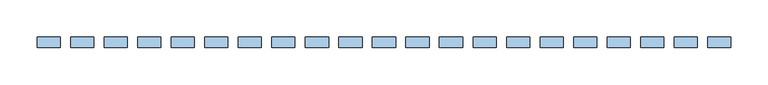
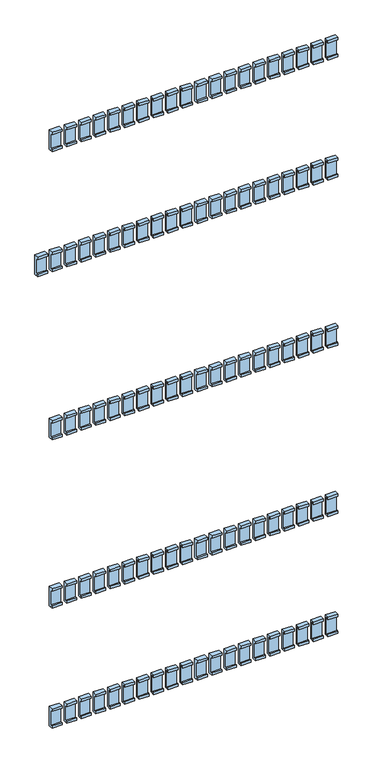
"""IFC4 building model written with IfcOpenShell, lengths in millimetres: window geometry."""

from ifc_helpers import new_model, si_unit, frame, origin, place, context, project, spatial, polyline, outline, extrude, source, transform, mapped, element, save


def window_75bf2af9(model_context):
    return source(origin(), model_context, "Body", "SweptSolid", [
        extrude(outline(polyline([(112.0, 1670.0936804), (107.8, 1670.0936804), (107.8, 1666.0936804), (104.0, 1666.0936804), (104.0, 1674.0), (117.9, 1674.0), (117.9, 1611.0), (104.0, 1611.0), (104.0, 1618.9063196), (107.8, 1618.9063196), (107.8, 1614.9063196), (112.0, 1614.9063196), (112.0, 1670.0936804)])), frame((659.5, 0.0, 0.0), z_axis=(1.0, 0.0, 0.0), x_axis=(0.0, 1.0, 0.0)), (0.0, 0.0, 1.0), 31.0),
        extrude(outline(polyline([(112.0, 1120.0936804), (107.8, 1120.0936804), (107.8, 1116.0936804), (104.0, 1116.0936804), (104.0, 1124.0), (117.9, 1124.0), (117.9, 1061.0), (104.0, 1061.0), (104.0, 1068.9063196), (107.8, 1068.9063196), (107.8, 1064.9063196), (112.0, 1064.9063196), (112.0, 1120.0936804)])), frame((659.5, 0.0, 0.0), z_axis=(1.0, 0.0, 0.0), x_axis=(0.0, 1.0, 0.0)), (0.0, 0.0, 1.0), 31.0),
        extrude(outline(polyline([(112.0, 570.0936804), (107.8, 570.0936804), (107.8, 566.0936804), (104.0, 566.0936804), (104.0, 574.0), (117.9, 574.0), (117.9, 511.0), (104.0, 511.0), (104.0, 518.9063196), (107.8, 518.9063196), (107.8, 514.9063196), (112.0, 514.9063196), (112.0, 570.0936804)])), frame((659.5, 0.0, 0.0), z_axis=(1.0, 0.0, 0.0), x_axis=(0.0, 1.0, 0.0)), (0.0, 0.0, 1.0), 31.0),
        extrude(outline(polyline([(112.0, 2007.9063196), (112.0, 2063.0936804), (107.8, 2063.0936804), (107.8, 2059.0936804), (104.0, 2059.0936804), (104.0, 2067.0), (117.9, 2067.0), (117.9, 2004.0), (104.0, 2004.0), (104.0, 2011.9063196), (107.8, 2011.9063196), (107.8, 2007.9063196), (112.0, 2007.9063196)])), frame((659.5, 0.0, 0.0), z_axis=(1.0, 0.0, 0.0), x_axis=(0.0, 1.0, 0.0)), (0.0, 0.0, 1.0), 31.0),
        extrude(outline(polyline([(112.0, 177.0936804), (107.8, 177.0936804), (107.8, 173.0936804), (104.0, 173.0936804), (104.0, 181.0), (117.9, 181.0), (117.9, 118.0), (104.0, 118.0), (104.0, 125.9063196), (107.8, 125.9063196), (107.8, 121.9063196), (112.0, 121.9063196), (112.0, 177.0936804)])), frame((659.5, 0.0, 0.0), z_axis=(1.0, 0.0, 0.0), x_axis=(0.0, 1.0, 0.0)), (0.0, 0.0, 1.0), 31.0),
        extrude(outline(polyline([(112.0, 1670.0936804), (107.8, 1670.0936804), (107.8, 1666.0936804), (104.0, 1666.0936804), (104.0, 1674.0), (117.9, 1674.0), (117.9, 1611.0), (104.0, 1611.0), (104.0, 1618.9063196), (107.8, 1618.9063196), (107.8, 1614.9063196), (112.0, 1614.9063196), (112.0, 1670.0936804)])), frame((614.5, 0.0, 0.0), z_axis=(1.0, 0.0, 0.0), x_axis=(0.0, 1.0, 0.0)), (0.0, 0.0, 1.0), 31.0),
        extrude(outline(polyline([(112.0, 1120.0936804), (107.8, 1120.0936804), (107.8, 1116.0936804), (104.0, 1116.0936804), (104.0, 1124.0), (117.9, 1124.0), (117.9, 1061.0), (104.0, 1061.0), (104.0, 1068.9063196), (107.8, 1068.9063196), (107.8, 1064.9063196), (112.0, 1064.9063196), (112.0, 1120.0936804)])), frame((614.5, 0.0, 0.0), z_axis=(1.0, 0.0, 0.0), x_axis=(0.0, 1.0, 0.0)), (0.0, 0.0, 1.0), 31.0),
        extrude(outline(polyline([(112.0, 570.0936804), (107.8, 570.0936804), (107.8, 566.0936804), (104.0, 566.0936804), (104.0, 574.0), (117.9, 574.0), (117.9, 511.0), (104.0, 511.0), (104.0, 518.9063196), (107.8, 518.9063196), (107.8, 514.9063196), (112.0, 514.9063196), (112.0, 570.0936804)])), frame((614.5, 0.0, 0.0), z_axis=(1.0, 0.0, 0.0), x_axis=(0.0, 1.0, 0.0)), (0.0, 0.0, 1.0), 31.0),
        extrude(outline(polyline([(112.0, 2007.9063196), (112.0, 2063.0936804), (107.8, 2063.0936804), (107.8, 2059.0936804), (104.0, 2059.0936804), (104.0, 2067.0), (117.9, 2067.0), (117.9, 2004.0), (104.0, 2004.0), (104.0, 2011.9063196), (107.8, 2011.9063196), (107.8, 2007.9063196), (112.0, 2007.9063196)])), frame((614.5, 0.0, 0.0), z_axis=(1.0, 0.0, 0.0), x_axis=(0.0, 1.0, 0.0)), (0.0, 0.0, 1.0), 31.0),
        extrude(outline(polyline([(112.0, 177.0936804), (107.8, 177.0936804), (107.8, 173.0936804), (104.0, 173.0936804), (104.0, 181.0), (117.9, 181.0), (117.9, 118.0), (104.0, 118.0), (104.0, 125.9063196), (107.8, 125.9063196), (107.8, 121.9063196), (112.0, 121.9063196), (112.0, 177.0936804)])), frame((614.5, 0.0, 0.0), z_axis=(1.0, 0.0, 0.0), x_axis=(0.0, 1.0, 0.0)), (0.0, 0.0, 1.0), 31.0),
        extrude(outline(polyline([(112.0, 1670.0936804), (107.8, 1670.0936804), (107.8, 1666.0936804), (104.0, 1666.0936804), (104.0, 1674.0), (117.9, 1674.0), (117.9, 1611.0), (104.0, 1611.0), (104.0, 1618.9063196), (107.8, 1618.9063196), (107.8, 1614.9063196), (112.0, 1614.9063196), (112.0, 1670.0936804)])), frame((569.5, 0.0, 0.0), z_axis=(1.0, 0.0, 0.0), x_axis=(0.0, 1.0, 0.0)), (0.0, 0.0, 1.0), 31.0),
        extrude(outline(polyline([(112.0, 1120.0936804), (107.8, 1120.0936804), (107.8, 1116.0936804), (104.0, 1116.0936804), (104.0, 1124.0), (117.9, 1124.0), (117.9, 1061.0), (104.0, 1061.0), (104.0, 1068.9063196), (107.8, 1068.9063196), (107.8, 1064.9063196), (112.0, 1064.9063196), (112.0, 1120.0936804)])), frame((569.5, 0.0, 0.0), z_axis=(1.0, 0.0, 0.0), x_axis=(0.0, 1.0, 0.0)), (0.0, 0.0, 1.0), 31.0),
        extrude(outline(polyline([(112.0, 570.0936804), (107.8, 570.0936804), (107.8, 566.0936804), (104.0, 566.0936804), (104.0, 574.0), (117.9, 574.0), (117.9, 511.0), (104.0, 511.0), (104.0, 518.9063196), (107.8, 518.9063196), (107.8, 514.9063196), (112.0, 514.9063196), (112.0, 570.0936804)])), frame((569.5, 0.0, 0.0), z_axis=(1.0, 0.0, 0.0), x_axis=(0.0, 1.0, 0.0)), (0.0, 0.0, 1.0), 31.0),
        extrude(outline(polyline([(112.0, 2007.9063196), (112.0, 2063.0936804), (107.8, 2063.0936804), (107.8, 2059.0936804), (104.0, 2059.0936804), (104.0, 2067.0), (117.9, 2067.0), (117.9, 2004.0), (104.0, 2004.0), (104.0, 2011.9063196), (107.8, 2011.9063196), (107.8, 2007.9063196), (112.0, 2007.9063196)])), frame((569.5, 0.0, 0.0), z_axis=(1.0, 0.0, 0.0), x_axis=(0.0, 1.0, 0.0)), (0.0, 0.0, 1.0), 31.0),
        extrude(outline(polyline([(112.0, 177.0936804), (107.8, 177.0936804), (107.8, 173.0936804), (104.0, 173.0936804), (104.0, 181.0), (117.9, 181.0), (117.9, 118.0), (104.0, 118.0), (104.0, 125.9063196), (107.8, 125.9063196), (107.8, 121.9063196), (112.0, 121.9063196), (112.0, 177.0936804)])), frame((569.5, 0.0, 0.0), z_axis=(1.0, 0.0, 0.0), x_axis=(0.0, 1.0, 0.0)), (0.0, 0.0, 1.0), 31.0),
        extrude(outline(polyline([(112.0, 1670.0936804), (107.8, 1670.0936804), (107.8, 1666.0936804), (104.0, 1666.0936804), (104.0, 1674.0), (117.9, 1674.0), (117.9, 1611.0), (104.0, 1611.0), (104.0, 1618.9063196), (107.8, 1618.9063196), (107.8, 1614.9063196), (112.0, 1614.9063196), (112.0, 1670.0936804)])), frame((524.5, 0.0, 0.0), z_axis=(1.0, 0.0, 0.0), x_axis=(0.0, 1.0, 0.0)), (0.0, 0.0, 1.0), 31.0),
        extrude(outline(polyline([(112.0, 1120.0936804), (107.8, 1120.0936804), (107.8, 1116.0936804), (104.0, 1116.0936804), (104.0, 1124.0), (117.9, 1124.0), (117.9, 1061.0), (104.0, 1061.0), (104.0, 1068.9063196), (107.8, 1068.9063196), (107.8, 1064.9063196), (112.0, 1064.9063196), (112.0, 1120.0936804)])), frame((524.5, 0.0, 0.0), z_axis=(1.0, 0.0, 0.0), x_axis=(0.0, 1.0, 0.0)), (0.0, 0.0, 1.0), 31.0),
        extrude(outline(polyline([(112.0, 570.0936804), (107.8, 570.0936804), (107.8, 566.0936804), (104.0, 566.0936804), (104.0, 574.0), (117.9, 574.0), (117.9, 511.0), (104.0, 511.0), (104.0, 518.9063196), (107.8, 518.9063196), (107.8, 514.9063196), (112.0, 514.9063196), (112.0, 570.0936804)])), frame((524.5, 0.0, 0.0), z_axis=(1.0, 0.0, 0.0), x_axis=(0.0, 1.0, 0.0)), (0.0, 0.0, 1.0), 31.0),
        extrude(outline(polyline([(112.0, 2007.9063196), (112.0, 2063.0936804), (107.8, 2063.0936804), (107.8, 2059.0936804), (104.0, 2059.0936804), (104.0, 2067.0), (117.9, 2067.0), (117.9, 2004.0), (104.0, 2004.0), (104.0, 2011.9063196), (107.8, 2011.9063196), (107.8, 2007.9063196), (112.0, 2007.9063196)])), frame((524.5, 0.0, 0.0), z_axis=(1.0, 0.0, 0.0), x_axis=(0.0, 1.0, 0.0)), (0.0, 0.0, 1.0), 31.0),
        extrude(outline(polyline([(112.0, 177.0936804), (107.8, 177.0936804), (107.8, 173.0936804), (104.0, 173.0936804), (104.0, 181.0), (117.9, 181.0), (117.9, 118.0), (104.0, 118.0), (104.0, 125.9063196), (107.8, 125.9063196), (107.8, 121.9063196), (112.0, 121.9063196), (112.0, 177.0936804)])), frame((524.5, 0.0, 0.0), z_axis=(1.0, 0.0, 0.0), x_axis=(0.0, 1.0, 0.0)), (0.0, 0.0, 1.0), 31.0),
        extrude(outline(polyline([(112.0, 1670.0936804), (107.8, 1670.0936804), (107.8, 1666.0936804), (104.0, 1666.0936804), (104.0, 1674.0), (117.9, 1674.0), (117.9, 1611.0), (104.0, 1611.0), (104.0, 1618.9063196), (107.8, 1618.9063196), (107.8, 1614.9063196), (112.0, 1614.9063196), (112.0, 1670.0936804)])), frame((479.5, 0.0, 0.0), z_axis=(1.0, 0.0, 0.0), x_axis=(0.0, 1.0, 0.0)), (0.0, 0.0, 1.0), 31.0),
        extrude(outline(polyline([(112.0, 1120.0936804), (107.8, 1120.0936804), (107.8, 1116.0936804), (104.0, 1116.0936804), (104.0, 1124.0), (117.9, 1124.0), (117.9, 1061.0), (104.0, 1061.0), (104.0, 1068.9063196), (107.8, 1068.9063196), (107.8, 1064.9063196), (112.0, 1064.9063196), (112.0, 1120.0936804)])), frame((479.5, 0.0, 0.0), z_axis=(1.0, 0.0, 0.0), x_axis=(0.0, 1.0, 0.0)), (0.0, 0.0, 1.0), 31.0),
        extrude(outline(polyline([(112.0, 570.0936804), (107.8, 570.0936804), (107.8, 566.0936804), (104.0, 566.0936804), (104.0, 574.0), (117.9, 574.0), (117.9, 511.0), (104.0, 511.0), (104.0, 518.9063196), (107.8, 518.9063196), (107.8, 514.9063196), (112.0, 514.9063196), (112.0, 570.0936804)])), frame((479.5, 0.0, 0.0), z_axis=(1.0, 0.0, 0.0), x_axis=(0.0, 1.0, 0.0)), (0.0, 0.0, 1.0), 31.0),
        extrude(outline(polyline([(112.0, 2007.9063196), (112.0, 2063.0936804), (107.8, 2063.0936804), (107.8, 2059.0936804), (104.0, 2059.0936804), (104.0, 2067.0), (117.9, 2067.0), (117.9, 2004.0), (104.0, 2004.0), (104.0, 2011.9063196), (107.8, 2011.9063196), (107.8, 2007.9063196), (112.0, 2007.9063196)])), frame((479.5, 0.0, 0.0), z_axis=(1.0, 0.0, 0.0), x_axis=(0.0, 1.0, 0.0)), (0.0, 0.0, 1.0), 31.0),
        extrude(outline(polyline([(112.0, 177.0936804), (107.8, 177.0936804), (107.8, 173.0936804), (104.0, 173.0936804), (104.0, 181.0), (117.9, 181.0), (117.9, 118.0), (104.0, 118.0), (104.0, 125.9063196), (107.8, 125.9063196), (107.8, 121.9063196), (112.0, 121.9063196), (112.0, 177.0936804)])), frame((479.5, 0.0, 0.0), z_axis=(1.0, 0.0, 0.0), x_axis=(0.0, 1.0, 0.0)), (0.0, 0.0, 1.0), 31.0),
        extrude(outline(polyline([(112.0, 1670.0936804), (107.8, 1670.0936804), (107.8, 1666.0936804), (104.0, 1666.0936804), (104.0, 1674.0), (117.9, 1674.0), (117.9, 1611.0), (104.0, 1611.0), (104.0, 1618.9063196), (107.8, 1618.9063196), (107.8, 1614.9063196), (112.0, 1614.9063196), (112.0, 1670.0936804)])), frame((434.5, 0.0, 0.0), z_axis=(1.0, 0.0, 0.0), x_axis=(0.0, 1.0, 0.0)), (0.0, 0.0, 1.0), 31.0),
        extrude(outline(polyline([(112.0, 1120.0936804), (107.8, 1120.0936804), (107.8, 1116.0936804), (104.0, 1116.0936804), (104.0, 1124.0), (117.9, 1124.0), (117.9, 1061.0), (104.0, 1061.0), (104.0, 1068.9063196), (107.8, 1068.9063196), (107.8, 1064.9063196), (112.0, 1064.9063196), (112.0, 1120.0936804)])), frame((434.5, 0.0, 0.0), z_axis=(1.0, 0.0, 0.0), x_axis=(0.0, 1.0, 0.0)), (0.0, 0.0, 1.0), 31.0),
        extrude(outline(polyline([(112.0, 570.0936804), (107.8, 570.0936804), (107.8, 566.0936804), (104.0, 566.0936804), (104.0, 574.0), (117.9, 574.0), (117.9, 511.0), (104.0, 511.0), (104.0, 518.9063196), (107.8, 518.9063196), (107.8, 514.9063196), (112.0, 514.9063196), (112.0, 570.0936804)])), frame((434.5, 0.0, 0.0), z_axis=(1.0, 0.0, 0.0), x_axis=(0.0, 1.0, 0.0)), (0.0, 0.0, 1.0), 31.0),
        extrude(outline(polyline([(112.0, 2007.9063196), (112.0, 2063.0936804), (107.8, 2063.0936804), (107.8, 2059.0936804), (104.0, 2059.0936804), (104.0, 2067.0), (117.9, 2067.0), (117.9, 2004.0), (104.0, 2004.0), (104.0, 2011.9063196), (107.8, 2011.9063196), (107.8, 2007.9063196), (112.0, 2007.9063196)])), frame((434.5, 0.0, 0.0), z_axis=(1.0, 0.0, 0.0), x_axis=(0.0, 1.0, 0.0)), (0.0, 0.0, 1.0), 31.0),
        extrude(outline(polyline([(112.0, 177.0936804), (107.8, 177.0936804), (107.8, 173.0936804), (104.0, 173.0936804), (104.0, 181.0), (117.9, 181.0), (117.9, 118.0), (104.0, 118.0), (104.0, 125.9063196), (107.8, 125.9063196), (107.8, 121.9063196), (112.0, 121.9063196), (112.0, 177.0936804)])), frame((434.5, 0.0, 0.0), z_axis=(1.0, 0.0, 0.0), x_axis=(0.0, 1.0, 0.0)), (0.0, 0.0, 1.0), 31.0),
        extrude(outline(polyline([(112.0, 1670.0936804), (107.8, 1670.0936804), (107.8, 1666.0936804), (104.0, 1666.0936804), (104.0, 1674.0), (117.9, 1674.0), (117.9, 1611.0), (104.0, 1611.0), (104.0, 1618.9063196), (107.8, 1618.9063196), (107.8, 1614.9063196), (112.0, 1614.9063196), (112.0, 1670.0936804)])), frame((389.5, 0.0, 0.0), z_axis=(1.0, 0.0, 0.0), x_axis=(0.0, 1.0, 0.0)), (0.0, 0.0, 1.0), 31.0),
        extrude(outline(polyline([(112.0, 1120.0936804), (107.8, 1120.0936804), (107.8, 1116.0936804), (104.0, 1116.0936804), (104.0, 1124.0), (117.9, 1124.0), (117.9, 1061.0), (104.0, 1061.0), (104.0, 1068.9063196), (107.8, 1068.9063196), (107.8, 1064.9063196), (112.0, 1064.9063196), (112.0, 1120.0936804)])), frame((389.5, 0.0, 0.0), z_axis=(1.0, 0.0, 0.0), x_axis=(0.0, 1.0, 0.0)), (0.0, 0.0, 1.0), 31.0),
        extrude(outline(polyline([(112.0, 570.0936804), (107.8, 570.0936804), (107.8, 566.0936804), (104.0, 566.0936804), (104.0, 574.0), (117.9, 574.0), (117.9, 511.0), (104.0, 511.0), (104.0, 518.9063196), (107.8, 518.9063196), (107.8, 514.9063196), (112.0, 514.9063196), (112.0, 570.0936804)])), frame((389.5, 0.0, 0.0), z_axis=(1.0, 0.0, 0.0), x_axis=(0.0, 1.0, 0.0)), (0.0, 0.0, 1.0), 31.0),
        extrude(outline(polyline([(112.0, 2007.9063196), (112.0, 2063.0936804), (107.8, 2063.0936804), (107.8, 2059.0936804), (104.0, 2059.0936804), (104.0, 2067.0), (117.9, 2067.0), (117.9, 2004.0), (104.0, 2004.0), (104.0, 2011.9063196), (107.8, 2011.9063196), (107.8, 2007.9063196), (112.0, 2007.9063196)])), frame((389.5, 0.0, 0.0), z_axis=(1.0, 0.0, 0.0), x_axis=(0.0, 1.0, 0.0)), (0.0, 0.0, 1.0), 31.0),
        extrude(outline(polyline([(112.0, 177.0936804), (107.8, 177.0936804), (107.8, 173.0936804), (104.0, 173.0936804), (104.0, 181.0), (117.9, 181.0), (117.9, 118.0), (104.0, 118.0), (104.0, 125.9063196), (107.8, 125.9063196), (107.8, 121.9063196), (112.0, 121.9063196), (112.0, 177.0936804)])), frame((389.5, 0.0, 0.0), z_axis=(1.0, 0.0, 0.0), x_axis=(0.0, 1.0, 0.0)), (0.0, 0.0, 1.0), 31.0),
        extrude(outline(polyline([(112.0, 1670.0936804), (107.8, 1670.0936804), (107.8, 1666.0936804), (104.0, 1666.0936804), (104.0, 1674.0), (117.9, 1674.0), (117.9, 1611.0), (104.0, 1611.0), (104.0, 1618.9063196), (107.8, 1618.9063196), (107.8, 1614.9063196), (112.0, 1614.9063196), (112.0, 1670.0936804)])), frame((344.5, 0.0, 0.0), z_axis=(1.0, 0.0, 0.0), x_axis=(0.0, 1.0, 0.0)), (0.0, 0.0, 1.0), 31.0),
        extrude(outline(polyline([(112.0, 1120.0936804), (107.8, 1120.0936804), (107.8, 1116.0936804), (104.0, 1116.0936804), (104.0, 1124.0), (117.9, 1124.0), (117.9, 1061.0), (104.0, 1061.0), (104.0, 1068.9063196), (107.8, 1068.9063196), (107.8, 1064.9063196), (112.0, 1064.9063196), (112.0, 1120.0936804)])), frame((344.5, 0.0, 0.0), z_axis=(1.0, 0.0, 0.0), x_axis=(0.0, 1.0, 0.0)), (0.0, 0.0, 1.0), 31.0),
        extrude(outline(polyline([(112.0, 570.0936804), (107.8, 570.0936804), (107.8, 566.0936804), (104.0, 566.0936804), (104.0, 574.0), (117.9, 574.0), (117.9, 511.0), (104.0, 511.0), (104.0, 518.9063196), (107.8, 518.9063196), (107.8, 514.9063196), (112.0, 514.9063196), (112.0, 570.0936804)])), frame((344.5, 0.0, 0.0), z_axis=(1.0, 0.0, 0.0), x_axis=(0.0, 1.0, 0.0)), (0.0, 0.0, 1.0), 31.0),
        extrude(outline(polyline([(112.0, 2007.9063196), (112.0, 2063.0936804), (107.8, 2063.0936804), (107.8, 2059.0936804), (104.0, 2059.0936804), (104.0, 2067.0), (117.9, 2067.0), (117.9, 2004.0), (104.0, 2004.0), (104.0, 2011.9063196), (107.8, 2011.9063196), (107.8, 2007.9063196), (112.0, 2007.9063196)])), frame((344.5, 0.0, 0.0), z_axis=(1.0, 0.0, 0.0), x_axis=(0.0, 1.0, 0.0)), (0.0, 0.0, 1.0), 31.0),
        extrude(outline(polyline([(112.0, 177.0936804), (107.8, 177.0936804), (107.8, 173.0936804), (104.0, 173.0936804), (104.0, 181.0), (117.9, 181.0), (117.9, 118.0), (104.0, 118.0), (104.0, 125.9063196), (107.8, 125.9063196), (107.8, 121.9063196), (112.0, 121.9063196), (112.0, 177.0936804)])), frame((344.5, 0.0, 0.0), z_axis=(1.0, 0.0, 0.0), x_axis=(0.0, 1.0, 0.0)), (0.0, 0.0, 1.0), 31.0),
        extrude(outline(polyline([(112.0, 1670.0936804), (107.8, 1670.0936804), (107.8, 1666.0936804), (104.0, 1666.0936804), (104.0, 1674.0), (117.9, 1674.0), (117.9, 1611.0), (104.0, 1611.0), (104.0, 1618.9063196), (107.8, 1618.9063196), (107.8, 1614.9063196), (112.0, 1614.9063196), (112.0, 1670.0936804)])), frame((299.5, 0.0, 0.0), z_axis=(1.0, 0.0, 0.0), x_axis=(0.0, 1.0, 0.0)), (0.0, 0.0, 1.0), 31.0),
        extrude(outline(polyline([(112.0, 1120.0936804), (107.8, 1120.0936804), (107.8, 1116.0936804), (104.0, 1116.0936804), (104.0, 1124.0), (117.9, 1124.0), (117.9, 1061.0), (104.0, 1061.0), (104.0, 1068.9063196), (107.8, 1068.9063196), (107.8, 1064.9063196), (112.0, 1064.9063196), (112.0, 1120.0936804)])), frame((299.5, 0.0, 0.0), z_axis=(1.0, 0.0, 0.0), x_axis=(0.0, 1.0, 0.0)), (0.0, 0.0, 1.0), 31.0),
        extrude(outline(polyline([(112.0, 570.0936804), (107.8, 570.0936804), (107.8, 566.0936804), (104.0, 566.0936804), (104.0, 574.0), (117.9, 574.0), (117.9, 511.0), (104.0, 511.0), (104.0, 518.9063196), (107.8, 518.9063196), (107.8, 514.9063196), (112.0, 514.9063196), (112.0, 570.0936804)])), frame((299.5, 0.0, 0.0), z_axis=(1.0, 0.0, 0.0), x_axis=(0.0, 1.0, 0.0)), (0.0, 0.0, 1.0), 31.0),
        extrude(outline(polyline([(112.0, 2007.9063196), (112.0, 2063.0936804), (107.8, 2063.0936804), (107.8, 2059.0936804), (104.0, 2059.0936804), (104.0, 2067.0), (117.9, 2067.0), (117.9, 2004.0), (104.0, 2004.0), (104.0, 2011.9063196), (107.8, 2011.9063196), (107.8, 2007.9063196), (112.0, 2007.9063196)])), frame((299.5, 0.0, 0.0), z_axis=(1.0, 0.0, 0.0), x_axis=(0.0, 1.0, 0.0)), (0.0, 0.0, 1.0), 31.0),
        extrude(outline(polyline([(112.0, 177.0936804), (107.8, 177.0936804), (107.8, 173.0936804), (104.0, 173.0936804), (104.0, 181.0), (117.9, 181.0), (117.9, 118.0), (104.0, 118.0), (104.0, 125.9063196), (107.8, 125.9063196), (107.8, 121.9063196), (112.0, 121.9063196), (112.0, 177.0936804)])), frame((299.5, 0.0, 0.0), z_axis=(1.0, 0.0, 0.0), x_axis=(0.0, 1.0, 0.0)), (0.0, 0.0, 1.0), 31.0),
        extrude(outline(polyline([(112.0, 1670.0936804), (107.8, 1670.0936804), (107.8, 1666.0936804), (104.0, 1666.0936804), (104.0, 1674.0), (117.9, 1674.0), (117.9, 1611.0), (104.0, 1611.0), (104.0, 1618.9063196), (107.8, 1618.9063196), (107.8, 1614.9063196), (112.0, 1614.9063196), (112.0, 1670.0936804)])), frame((254.5, 0.0, 0.0), z_axis=(1.0, 0.0, 0.0), x_axis=(0.0, 1.0, 0.0)), (0.0, 0.0, 1.0), 31.0),
        extrude(outline(polyline([(112.0, 1120.0936804), (107.8, 1120.0936804), (107.8, 1116.0936804), (104.0, 1116.0936804), (104.0, 1124.0), (117.9, 1124.0), (117.9, 1061.0), (104.0, 1061.0), (104.0, 1068.9063196), (107.8, 1068.9063196), (107.8, 1064.9063196), (112.0, 1064.9063196), (112.0, 1120.0936804)])), frame((254.5, 0.0, 0.0), z_axis=(1.0, 0.0, 0.0), x_axis=(0.0, 1.0, 0.0)), (0.0, 0.0, 1.0), 31.0),
        extrude(outline(polyline([(112.0, 570.0936804), (107.8, 570.0936804), (107.8, 566.0936804), (104.0, 566.0936804), (104.0, 574.0), (117.9, 574.0), (117.9, 511.0), (104.0, 511.0), (104.0, 518.9063196), (107.8, 518.9063196), (107.8, 514.9063196), (112.0, 514.9063196), (112.0, 570.0936804)])), frame((254.5, 0.0, 0.0), z_axis=(1.0, 0.0, 0.0), x_axis=(0.0, 1.0, 0.0)), (0.0, 0.0, 1.0), 31.0),
        extrude(outline(polyline([(112.0, 2007.9063196), (112.0, 2063.0936804), (107.8, 2063.0936804), (107.8, 2059.0936804), (104.0, 2059.0936804), (104.0, 2067.0), (117.9, 2067.0), (117.9, 2004.0), (104.0, 2004.0), (104.0, 2011.9063196), (107.8, 2011.9063196), (107.8, 2007.9063196), (112.0, 2007.9063196)])), frame((254.5, 0.0, 0.0), z_axis=(1.0, 0.0, 0.0), x_axis=(0.0, 1.0, 0.0)), (0.0, 0.0, 1.0), 31.0),
        extrude(outline(polyline([(112.0, 177.0936804), (107.8, 177.0936804), (107.8, 173.0936804), (104.0, 173.0936804), (104.0, 181.0), (117.9, 181.0), (117.9, 118.0), (104.0, 118.0), (104.0, 125.9063196), (107.8, 125.9063196), (107.8, 121.9063196), (112.0, 121.9063196), (112.0, 177.0936804)])), frame((254.5, 0.0, 0.0), z_axis=(1.0, 0.0, 0.0), x_axis=(0.0, 1.0, 0.0)), (0.0, 0.0, 1.0), 31.0),
        extrude(outline(polyline([(112.0, 1670.0936804), (107.8, 1670.0936804), (107.8, 1666.0936804), (104.0, 1666.0936804), (104.0, 1674.0), (117.9, 1674.0), (117.9, 1611.0), (104.0, 1611.0), (104.0, 1618.9063196), (107.8, 1618.9063196), (107.8, 1614.9063196), (112.0, 1614.9063196), (112.0, 1670.0936804)])), frame((209.5, 0.0, 0.0), z_axis=(1.0, 0.0, 0.0), x_axis=(0.0, 1.0, 0.0)), (0.0, 0.0, 1.0), 31.0),
        extrude(outline(polyline([(112.0, 1120.0936804), (107.8, 1120.0936804), (107.8, 1116.0936804), (104.0, 1116.0936804), (104.0, 1124.0), (117.9, 1124.0), (117.9, 1061.0), (104.0, 1061.0), (104.0, 1068.9063196), (107.8, 1068.9063196), (107.8, 1064.9063196), (112.0, 1064.9063196), (112.0, 1120.0936804)])), frame((209.5, 0.0, 0.0), z_axis=(1.0, 0.0, 0.0), x_axis=(0.0, 1.0, 0.0)), (0.0, 0.0, 1.0), 31.0),
        extrude(outline(polyline([(112.0, 570.0936804), (107.8, 570.0936804), (107.8, 566.0936804), (104.0, 566.0936804), (104.0, 574.0), (117.9, 574.0), (117.9, 511.0), (104.0, 511.0), (104.0, 518.9063196), (107.8, 518.9063196), (107.8, 514.9063196), (112.0, 514.9063196), (112.0, 570.0936804)])), frame((209.5, 0.0, 0.0), z_axis=(1.0, 0.0, 0.0), x_axis=(0.0, 1.0, 0.0)), (0.0, 0.0, 1.0), 31.0),
        extrude(outline(polyline([(112.0, 2007.9063196), (112.0, 2063.0936804), (107.8, 2063.0936804), (107.8, 2059.0936804), (104.0, 2059.0936804), (104.0, 2067.0), (117.9, 2067.0), (117.9, 2004.0), (104.0, 2004.0), (104.0, 2011.9063196), (107.8, 2011.9063196), (107.8, 2007.9063196), (112.0, 2007.9063196)])), frame((209.5, 0.0, 0.0), z_axis=(1.0, 0.0, 0.0), x_axis=(0.0, 1.0, 0.0)), (0.0, 0.0, 1.0), 31.0),
        extrude(outline(polyline([(112.0, 177.0936804), (107.8, 177.0936804), (107.8, 173.0936804), (104.0, 173.0936804), (104.0, 181.0), (117.9, 181.0), (117.9, 118.0), (104.0, 118.0), (104.0, 125.9063196), (107.8, 125.9063196), (107.8, 121.9063196), (112.0, 121.9063196), (112.0, 177.0936804)])), frame((209.5, 0.0, 0.0), z_axis=(1.0, 0.0, 0.0), x_axis=(0.0, 1.0, 0.0)), (0.0, 0.0, 1.0), 31.0),
        extrude(outline(polyline([(112.0, 1670.0936804), (107.8, 1670.0936804), (107.8, 1666.0936804), (104.0, 1666.0936804), (104.0, 1674.0), (117.9, 1674.0), (117.9, 1611.0), (104.0, 1611.0), (104.0, 1618.9063196), (107.8, 1618.9063196), (107.8, 1614.9063196), (112.0, 1614.9063196), (112.0, 1670.0936804)])), frame((164.5, 0.0, 0.0), z_axis=(1.0, 0.0, 0.0), x_axis=(0.0, 1.0, 0.0)), (0.0, 0.0, 1.0), 31.0),
        extrude(outline(polyline([(112.0, 1120.0936804), (107.8, 1120.0936804), (107.8, 1116.0936804), (104.0, 1116.0936804), (104.0, 1124.0), (117.9, 1124.0), (117.9, 1061.0), (104.0, 1061.0), (104.0, 1068.9063196), (107.8, 1068.9063196), (107.8, 1064.9063196), (112.0, 1064.9063196), (112.0, 1120.0936804)])), frame((164.5, 0.0, 0.0), z_axis=(1.0, 0.0, 0.0), x_axis=(0.0, 1.0, 0.0)), (0.0, 0.0, 1.0), 31.0),
        extrude(outline(polyline([(112.0, 570.0936804), (107.8, 570.0936804), (107.8, 566.0936804), (104.0, 566.0936804), (104.0, 574.0), (117.9, 574.0), (117.9, 511.0), (104.0, 511.0), (104.0, 518.9063196), (107.8, 518.9063196), (107.8, 514.9063196), (112.0, 514.9063196), (112.0, 570.0936804)])), frame((164.5, 0.0, 0.0), z_axis=(1.0, 0.0, 0.0), x_axis=(0.0, 1.0, 0.0)), (0.0, 0.0, 1.0), 31.0),
        extrude(outline(polyline([(112.0, 2007.9063196), (112.0, 2063.0936804), (107.8, 2063.0936804), (107.8, 2059.0936804), (104.0, 2059.0936804), (104.0, 2067.0), (117.9, 2067.0), (117.9, 2004.0), (104.0, 2004.0), (104.0, 2011.9063196), (107.8, 2011.9063196), (107.8, 2007.9063196), (112.0, 2007.9063196)])), frame((164.5, 0.0, 0.0), z_axis=(1.0, 0.0, 0.0), x_axis=(0.0, 1.0, 0.0)), (0.0, 0.0, 1.0), 31.0),
        extrude(outline(polyline([(112.0, 177.0936804), (107.8, 177.0936804), (107.8, 173.0936804), (104.0, 173.0936804), (104.0, 181.0), (117.9, 181.0), (117.9, 118.0), (104.0, 118.0), (104.0, 125.9063196), (107.8, 125.9063196), (107.8, 121.9063196), (112.0, 121.9063196), (112.0, 177.0936804)])), frame((164.5, 0.0, 0.0), z_axis=(1.0, 0.0, 0.0), x_axis=(0.0, 1.0, 0.0)), (0.0, 0.0, 1.0), 31.0),
        extrude(outline(polyline([(112.0, 1670.0936804), (107.8, 1670.0936804), (107.8, 1666.0936804), (104.0, 1666.0936804), (104.0, 1674.0), (117.9, 1674.0), (117.9, 1611.0), (104.0, 1611.0), (104.0, 1618.9063196), (107.8, 1618.9063196), (107.8, 1614.9063196), (112.0, 1614.9063196), (112.0, 1670.0936804)])), frame((119.5, 0.0, 0.0), z_axis=(1.0, 0.0, 0.0), x_axis=(0.0, 1.0, 0.0)), (0.0, 0.0, 1.0), 31.0),
        extrude(outline(polyline([(112.0, 1120.0936804), (107.8, 1120.0936804), (107.8, 1116.0936804), (104.0, 1116.0936804), (104.0, 1124.0), (117.9, 1124.0), (117.9, 1061.0), (104.0, 1061.0), (104.0, 1068.9063196), (107.8, 1068.9063196), (107.8, 1064.9063196), (112.0, 1064.9063196), (112.0, 1120.0936804)])), frame((119.5, 0.0, 0.0), z_axis=(1.0, 0.0, 0.0), x_axis=(0.0, 1.0, 0.0)), (0.0, 0.0, 1.0), 31.0),
        extrude(outline(polyline([(112.0, 570.0936804), (107.8, 570.0936804), (107.8, 566.0936804), (104.0, 566.0936804), (104.0, 574.0), (117.9, 574.0), (117.9, 511.0), (104.0, 511.0), (104.0, 518.9063196), (107.8, 518.9063196), (107.8, 514.9063196), (112.0, 514.9063196), (112.0, 570.0936804)])), frame((119.5, 0.0, 0.0), z_axis=(1.0, 0.0, 0.0), x_axis=(0.0, 1.0, 0.0)), (0.0, 0.0, 1.0), 31.0),
        extrude(outline(polyline([(112.0, 2007.9063196), (112.0, 2063.0936804), (107.8, 2063.0936804), (107.8, 2059.0936804), (104.0, 2059.0936804), (104.0, 2067.0), (117.9, 2067.0), (117.9, 2004.0), (104.0, 2004.0), (104.0, 2011.9063196), (107.8, 2011.9063196), (107.8, 2007.9063196), (112.0, 2007.9063196)])), frame((119.5, 0.0, 0.0), z_axis=(1.0, 0.0, 0.0), x_axis=(0.0, 1.0, 0.0)), (0.0, 0.0, 1.0), 31.0),
        extrude(outline(polyline([(112.0, 177.0936804), (107.8, 177.0936804), (107.8, 173.0936804), (104.0, 173.0936804), (104.0, 181.0), (117.9, 181.0), (117.9, 118.0), (104.0, 118.0), (104.0, 125.9063196), (107.8, 125.9063196), (107.8, 121.9063196), (112.0, 121.9063196), (112.0, 177.0936804)])), frame((119.5, 0.0, 0.0), z_axis=(1.0, 0.0, 0.0), x_axis=(0.0, 1.0, 0.0)), (0.0, 0.0, 1.0), 31.0),
        extrude(outline(polyline([(112.0, 1670.0936804), (107.8, 1670.0936804), (107.8, 1666.0936804), (104.0, 1666.0936804), (104.0, 1674.0), (117.9, 1674.0), (117.9, 1611.0), (104.0, 1611.0), (104.0, 1618.9063196), (107.8, 1618.9063196), (107.8, 1614.9063196), (112.0, 1614.9063196), (112.0, 1670.0936804)])), frame((74.5, 0.0, 0.0), z_axis=(1.0, 0.0, 0.0), x_axis=(0.0, 1.0, 0.0)), (0.0, 0.0, 1.0), 31.0),
        extrude(outline(polyline([(112.0, 1120.0936804), (107.8, 1120.0936804), (107.8, 1116.0936804), (104.0, 1116.0936804), (104.0, 1124.0), (117.9, 1124.0), (117.9, 1061.0), (104.0, 1061.0), (104.0, 1068.9063196), (107.8, 1068.9063196), (107.8, 1064.9063196), (112.0, 1064.9063196), (112.0, 1120.0936804)])), frame((74.5, 0.0, 0.0), z_axis=(1.0, 0.0, 0.0), x_axis=(0.0, 1.0, 0.0)), (0.0, 0.0, 1.0), 31.0),
        extrude(outline(polyline([(112.0, 570.0936804), (107.8, 570.0936804), (107.8, 566.0936804), (104.0, 566.0936804), (104.0, 574.0), (117.9, 574.0), (117.9, 511.0), (104.0, 511.0), (104.0, 518.9063196), (107.8, 518.9063196), (107.8, 514.9063196), (112.0, 514.9063196), (112.0, 570.0936804)])), frame((74.5, 0.0, 0.0), z_axis=(1.0, 0.0, 0.0), x_axis=(0.0, 1.0, 0.0)), (0.0, 0.0, 1.0), 31.0),
        extrude(outline(polyline([(112.0, 2007.9063196), (112.0, 2063.0936804), (107.8, 2063.0936804), (107.8, 2059.0936804), (104.0, 2059.0936804), (104.0, 2067.0), (117.9, 2067.0), (117.9, 2004.0), (104.0, 2004.0), (104.0, 2011.9063196), (107.8, 2011.9063196), (107.8, 2007.9063196), (112.0, 2007.9063196)])), frame((74.5, 0.0, 0.0), z_axis=(1.0, 0.0, 0.0), x_axis=(0.0, 1.0, 0.0)), (0.0, 0.0, 1.0), 31.0),
        extrude(outline(polyline([(112.0, 177.0936804), (107.8, 177.0936804), (107.8, 173.0936804), (104.0, 173.0936804), (104.0, 181.0), (117.9, 181.0), (117.9, 118.0), (104.0, 118.0), (104.0, 125.9063196), (107.8, 125.9063196), (107.8, 121.9063196), (112.0, 121.9063196), (112.0, 177.0936804)])), frame((74.5, 0.0, 0.0), z_axis=(1.0, 0.0, 0.0), x_axis=(0.0, 1.0, 0.0)), (0.0, 0.0, 1.0), 31.0),
        extrude(outline(polyline([(112.0, 1670.0936804), (107.8, 1670.0936804), (107.8, 1666.0936804), (104.0, 1666.0936804), (104.0, 1674.0), (117.9, 1674.0), (117.9, 1611.0), (104.0, 1611.0), (104.0, 1618.9063196), (107.8, 1618.9063196), (107.8, 1614.9063196), (112.0, 1614.9063196), (112.0, 1670.0936804)])), frame((29.5, 0.0, 0.0), z_axis=(1.0, 0.0, 0.0), x_axis=(0.0, 1.0, 0.0)), (0.0, 0.0, 1.0), 31.0),
        extrude(outline(polyline([(112.0, 1120.0936804), (107.8, 1120.0936804), (107.8, 1116.0936804), (104.0, 1116.0936804), (104.0, 1124.0), (117.9, 1124.0), (117.9, 1061.0), (104.0, 1061.0), (104.0, 1068.9063196), (107.8, 1068.9063196), (107.8, 1064.9063196), (112.0, 1064.9063196), (112.0, 1120.0936804)])), frame((29.5, 0.0, 0.0), z_axis=(1.0, 0.0, 0.0), x_axis=(0.0, 1.0, 0.0)), (0.0, 0.0, 1.0), 31.0),
        extrude(outline(polyline([(112.0, 570.0936804), (107.8, 570.0936804), (107.8, 566.0936804), (104.0, 566.0936804), (104.0, 574.0), (117.9, 574.0), (117.9, 511.0), (104.0, 511.0), (104.0, 518.9063196), (107.8, 518.9063196), (107.8, 514.9063196), (112.0, 514.9063196), (112.0, 570.0936804)])), frame((29.5, 0.0, 0.0), z_axis=(1.0, 0.0, 0.0), x_axis=(0.0, 1.0, 0.0)), (0.0, 0.0, 1.0), 31.0),
        extrude(outline(polyline([(112.0, 2007.9063196), (112.0, 2063.0936804), (107.8, 2063.0936804), (107.8, 2059.0936804), (104.0, 2059.0936804), (104.0, 2067.0), (117.9, 2067.0), (117.9, 2004.0), (104.0, 2004.0), (104.0, 2011.9063196), (107.8, 2011.9063196), (107.8, 2007.9063196), (112.0, 2007.9063196)])), frame((29.5, 0.0, 0.0), z_axis=(1.0, 0.0, 0.0), x_axis=(0.0, 1.0, 0.0)), (0.0, 0.0, 1.0), 31.0),
        extrude(outline(polyline([(112.0, 177.0936804), (107.8, 177.0936804), (107.8, 173.0936804), (104.0, 173.0936804), (104.0, 181.0), (117.9, 181.0), (117.9, 118.0), (104.0, 118.0), (104.0, 125.9063196), (107.8, 125.9063196), (107.8, 121.9063196), (112.0, 121.9063196), (112.0, 177.0936804)])), frame((29.5, 0.0, 0.0), z_axis=(1.0, 0.0, 0.0), x_axis=(0.0, 1.0, 0.0)), (0.0, 0.0, 1.0), 31.0),
        extrude(outline(polyline([(112.0, 1670.0936804), (107.8, 1670.0936804), (107.8, 1666.0936804), (104.0, 1666.0936804), (104.0, 1674.0), (117.9, 1674.0), (117.9, 1611.0), (104.0, 1611.0), (104.0, 1618.9063196), (107.8, 1618.9063196), (107.8, 1614.9063196), (112.0, 1614.9063196), (112.0, 1670.0936804)])), frame((-15.5, 0.0, 0.0), z_axis=(1.0, 0.0, 0.0), x_axis=(0.0, 1.0, 0.0)), (0.0, 0.0, 1.0), 31.0),
        extrude(outline(polyline([(112.0, 1120.0936804), (107.8, 1120.0936804), (107.8, 1116.0936804), (104.0, 1116.0936804), (104.0, 1124.0), (117.9, 1124.0), (117.9, 1061.0), (104.0, 1061.0), (104.0, 1068.9063196), (107.8, 1068.9063196), (107.8, 1064.9063196), (112.0, 1064.9063196), (112.0, 1120.0936804)])), frame((-15.5, 0.0, 0.0), z_axis=(1.0, 0.0, 0.0), x_axis=(0.0, 1.0, 0.0)), (0.0, 0.0, 1.0), 31.0),
        extrude(outline(polyline([(112.0, 570.0936804), (107.8, 570.0936804), (107.8, 566.0936804), (104.0, 566.0936804), (104.0, 574.0), (117.9, 574.0), (117.9, 511.0), (104.0, 511.0), (104.0, 518.9063196), (107.8, 518.9063196), (107.8, 514.9063196), (112.0, 514.9063196), (112.0, 570.0936804)])), frame((-15.5, 0.0, 0.0), z_axis=(1.0, 0.0, 0.0), x_axis=(0.0, 1.0, 0.0)), (0.0, 0.0, 1.0), 31.0),
        extrude(outline(polyline([(112.0, 2007.9063196), (112.0, 2063.0936804), (107.8, 2063.0936804), (107.8, 2059.0936804), (104.0, 2059.0936804), (104.0, 2067.0), (117.9, 2067.0), (117.9, 2004.0), (104.0, 2004.0), (104.0, 2011.9063196), (107.8, 2011.9063196), (107.8, 2007.9063196), (112.0, 2007.9063196)])), frame((-15.5, 0.0, 0.0), z_axis=(1.0, 0.0, 0.0), x_axis=(0.0, 1.0, 0.0)), (0.0, 0.0, 1.0), 31.0),
        extrude(outline(polyline([(112.0, 177.0936804), (107.8, 177.0936804), (107.8, 173.0936804), (104.0, 173.0936804), (104.0, 181.0), (117.9, 181.0), (117.9, 118.0), (104.0, 118.0), (104.0, 125.9063196), (107.8, 125.9063196), (107.8, 121.9063196), (112.0, 121.9063196), (112.0, 177.0936804)])), frame((-15.5, 0.0, 0.0), z_axis=(1.0, 0.0, 0.0), x_axis=(0.0, 1.0, 0.0)), (0.0, 0.0, 1.0), 31.0),
        extrude(outline(polyline([(112.0, 1670.0936804), (107.8, 1670.0936804), (107.8, 1666.0936804), (104.0, 1666.0936804), (104.0, 1674.0), (117.9, 1674.0), (117.9, 1611.0), (104.0, 1611.0), (104.0, 1618.9063196), (107.8, 1618.9063196), (107.8, 1614.9063196), (112.0, 1614.9063196), (112.0, 1670.0936804)])), frame((-60.5, 0.0, 0.0), z_axis=(1.0, 0.0, 0.0), x_axis=(0.0, 1.0, 0.0)), (0.0, 0.0, 1.0), 31.0),
        extrude(outline(polyline([(112.0, 1120.0936804), (107.8, 1120.0936804), (107.8, 1116.0936804), (104.0, 1116.0936804), (104.0, 1124.0), (117.9, 1124.0), (117.9, 1061.0), (104.0, 1061.0), (104.0, 1068.9063196), (107.8, 1068.9063196), (107.8, 1064.9063196), (112.0, 1064.9063196), (112.0, 1120.0936804)])), frame((-60.5, 0.0, 0.0), z_axis=(1.0, 0.0, 0.0), x_axis=(0.0, 1.0, 0.0)), (0.0, 0.0, 1.0), 31.0),
        extrude(outline(polyline([(112.0, 570.0936804), (107.8, 570.0936804), (107.8, 566.0936804), (104.0, 566.0936804), (104.0, 574.0), (117.9, 574.0), (117.9, 511.0), (104.0, 511.0), (104.0, 518.9063196), (107.8, 518.9063196), (107.8, 514.9063196), (112.0, 514.9063196), (112.0, 570.0936804)])), frame((-60.5, 0.0, 0.0), z_axis=(1.0, 0.0, 0.0), x_axis=(0.0, 1.0, 0.0)), (0.0, 0.0, 1.0), 31.0),
        extrude(outline(polyline([(112.0, 2007.9063196), (112.0, 2063.0936804), (107.8, 2063.0936804), (107.8, 2059.0936804), (104.0, 2059.0936804), (104.0, 2067.0), (117.9, 2067.0), (117.9, 2004.0), (104.0, 2004.0), (104.0, 2011.9063196), (107.8, 2011.9063196), (107.8, 2007.9063196), (112.0, 2007.9063196)])), frame((-60.5, 0.0, 0.0), z_axis=(1.0, 0.0, 0.0), x_axis=(0.0, 1.0, 0.0)), (0.0, 0.0, 1.0), 31.0),
        extrude(outline(polyline([(112.0, 177.0936804), (107.8, 177.0936804), (107.8, 173.0936804), (104.0, 173.0936804), (104.0, 181.0), (117.9, 181.0), (117.9, 118.0), (104.0, 118.0), (104.0, 125.9063196), (107.8, 125.9063196), (107.8, 121.9063196), (112.0, 121.9063196), (112.0, 177.0936804)])), frame((-60.5, 0.0, 0.0), z_axis=(1.0, 0.0, 0.0), x_axis=(0.0, 1.0, 0.0)), (0.0, 0.0, 1.0), 31.0),
        extrude(outline(polyline([(112.0, 1670.0936804), (107.8, 1670.0936804), (107.8, 1666.0936804), (104.0, 1666.0936804), (104.0, 1674.0), (117.9, 1674.0), (117.9, 1611.0), (104.0, 1611.0), (104.0, 1618.9063196), (107.8, 1618.9063196), (107.8, 1614.9063196), (112.0, 1614.9063196), (112.0, 1670.0936804)])), frame((-105.5, 0.0, 0.0), z_axis=(1.0, 0.0, 0.0), x_axis=(0.0, 1.0, 0.0)), (0.0, 0.0, 1.0), 31.0),
        extrude(outline(polyline([(112.0, 1120.0936804), (107.8, 1120.0936804), (107.8, 1116.0936804), (104.0, 1116.0936804), (104.0, 1124.0), (117.9, 1124.0), (117.9, 1061.0), (104.0, 1061.0), (104.0, 1068.9063196), (107.8, 1068.9063196), (107.8, 1064.9063196), (112.0, 1064.9063196), (112.0, 1120.0936804)])), frame((-105.5, 0.0, 0.0), z_axis=(1.0, 0.0, 0.0), x_axis=(0.0, 1.0, 0.0)), (0.0, 0.0, 1.0), 31.0),
        extrude(outline(polyline([(112.0, 570.0936804), (107.8, 570.0936804), (107.8, 566.0936804), (104.0, 566.0936804), (104.0, 574.0), (117.9, 574.0), (117.9, 511.0), (104.0, 511.0), (104.0, 518.9063196), (107.8, 518.9063196), (107.8, 514.9063196), (112.0, 514.9063196), (112.0, 570.0936804)])), frame((-105.5, 0.0, 0.0), z_axis=(1.0, 0.0, 0.0), x_axis=(0.0, 1.0, 0.0)), (0.0, 0.0, 1.0), 31.0),
        extrude(outline(polyline([(112.0, 2007.9063196), (112.0, 2063.0936804), (107.8, 2063.0936804), (107.8, 2059.0936804), (104.0, 2059.0936804), (104.0, 2067.0), (117.9, 2067.0), (117.9, 2004.0), (104.0, 2004.0), (104.0, 2011.9063196), (107.8, 2011.9063196), (107.8, 2007.9063196), (112.0, 2007.9063196)])), frame((-105.5, 0.0, 0.0), z_axis=(1.0, 0.0, 0.0), x_axis=(0.0, 1.0, 0.0)), (0.0, 0.0, 1.0), 31.0),
        extrude(outline(polyline([(112.0, 177.0936804), (107.8, 177.0936804), (107.8, 173.0936804), (104.0, 173.0936804), (104.0, 181.0), (117.9, 181.0), (117.9, 118.0), (104.0, 118.0), (104.0, 125.9063196), (107.8, 125.9063196), (107.8, 121.9063196), (112.0, 121.9063196), (112.0, 177.0936804)])), frame((-105.5, 0.0, 0.0), z_axis=(1.0, 0.0, 0.0), x_axis=(0.0, 1.0, 0.0)), (0.0, 0.0, 1.0), 31.0),
        extrude(outline(polyline([(112.0, 1670.0936804), (107.8, 1670.0936804), (107.8, 1666.0936804), (104.0, 1666.0936804), (104.0, 1674.0), (117.9, 1674.0), (117.9, 1611.0), (104.0, 1611.0), (104.0, 1618.9063196), (107.8, 1618.9063196), (107.8, 1614.9063196), (112.0, 1614.9063196), (112.0, 1670.0936804)])), frame((-150.5, 0.0, 0.0), z_axis=(1.0, 0.0, 0.0), x_axis=(0.0, 1.0, 0.0)), (0.0, 0.0, 1.0), 31.0),
        extrude(outline(polyline([(112.0, 1120.0936804), (107.8, 1120.0936804), (107.8, 1116.0936804), (104.0, 1116.0936804), (104.0, 1124.0), (117.9, 1124.0), (117.9, 1061.0), (104.0, 1061.0), (104.0, 1068.9063196), (107.8, 1068.9063196), (107.8, 1064.9063196), (112.0, 1064.9063196), (112.0, 1120.0936804)])), frame((-150.5, 0.0, 0.0), z_axis=(1.0, 0.0, 0.0), x_axis=(0.0, 1.0, 0.0)), (0.0, 0.0, 1.0), 31.0),
        extrude(outline(polyline([(112.0, 570.0936804), (107.8, 570.0936804), (107.8, 566.0936804), (104.0, 566.0936804), (104.0, 574.0), (117.9, 574.0), (117.9, 511.0), (104.0, 511.0), (104.0, 518.9063196), (107.8, 518.9063196), (107.8, 514.9063196), (112.0, 514.9063196), (112.0, 570.0936804)])), frame((-150.5, 0.0, 0.0), z_axis=(1.0, 0.0, 0.0), x_axis=(0.0, 1.0, 0.0)), (0.0, 0.0, 1.0), 31.0),
        extrude(outline(polyline([(112.0, 2007.9063196), (112.0, 2063.0936804), (107.8, 2063.0936804), (107.8, 2059.0936804), (104.0, 2059.0936804), (104.0, 2067.0), (117.9, 2067.0), (117.9, 2004.0), (104.0, 2004.0), (104.0, 2011.9063196), (107.8, 2011.9063196), (107.8, 2007.9063196), (112.0, 2007.9063196)])), frame((-150.5, 0.0, 0.0), z_axis=(1.0, 0.0, 0.0), x_axis=(0.0, 1.0, 0.0)), (0.0, 0.0, 1.0), 31.0),
        extrude(outline(polyline([(112.0, 177.0936804), (107.8, 177.0936804), (107.8, 173.0936804), (104.0, 173.0936804), (104.0, 181.0), (117.9, 181.0), (117.9, 118.0), (104.0, 118.0), (104.0, 125.9063196), (107.8, 125.9063196), (107.8, 121.9063196), (112.0, 121.9063196), (112.0, 177.0936804)])), frame((-150.5, 0.0, 0.0), z_axis=(1.0, 0.0, 0.0), x_axis=(0.0, 1.0, 0.0)), (0.0, 0.0, 1.0), 31.0),
        extrude(outline(polyline([(112.0, 1670.0936804), (107.8, 1670.0936804), (107.8, 1666.0936804), (104.0, 1666.0936804), (104.0, 1674.0), (117.9, 1674.0), (117.9, 1611.0), (104.0, 1611.0), (104.0, 1618.9063196), (107.8, 1618.9063196), (107.8, 1614.9063196), (112.0, 1614.9063196), (112.0, 1670.0936804)])), frame((-195.5, 0.0, 0.0), z_axis=(1.0, 0.0, 0.0), x_axis=(0.0, 1.0, 0.0)), (0.0, 0.0, 1.0), 31.0),
        extrude(outline(polyline([(112.0, 1120.0936804), (107.8, 1120.0936804), (107.8, 1116.0936804), (104.0, 1116.0936804), (104.0, 1124.0), (117.9, 1124.0), (117.9, 1061.0), (104.0, 1061.0), (104.0, 1068.9063196), (107.8, 1068.9063196), (107.8, 1064.9063196), (112.0, 1064.9063196), (112.0, 1120.0936804)])), frame((-195.5, 0.0, 0.0), z_axis=(1.0, 0.0, 0.0), x_axis=(0.0, 1.0, 0.0)), (0.0, 0.0, 1.0), 31.0),
        extrude(outline(polyline([(112.0, 570.0936804), (107.8, 570.0936804), (107.8, 566.0936804), (104.0, 566.0936804), (104.0, 574.0), (117.9, 574.0), (117.9, 511.0), (104.0, 511.0), (104.0, 518.9063196), (107.8, 518.9063196), (107.8, 514.9063196), (112.0, 514.9063196), (112.0, 570.0936804)])), frame((-195.5, 0.0, 0.0), z_axis=(1.0, 0.0, 0.0), x_axis=(0.0, 1.0, 0.0)), (0.0, 0.0, 1.0), 31.0),
        extrude(outline(polyline([(112.0, 2007.9063196), (112.0, 2063.0936804), (107.8, 2063.0936804), (107.8, 2059.0936804), (104.0, 2059.0936804), (104.0, 2067.0), (117.9, 2067.0), (117.9, 2004.0), (104.0, 2004.0), (104.0, 2011.9063196), (107.8, 2011.9063196), (107.8, 2007.9063196), (112.0, 2007.9063196)])), frame((-195.5, 0.0, 0.0), z_axis=(1.0, 0.0, 0.0), x_axis=(0.0, 1.0, 0.0)), (0.0, 0.0, 1.0), 31.0),
        extrude(outline(polyline([(112.0, 177.0936804), (107.8, 177.0936804), (107.8, 173.0936804), (104.0, 173.0936804), (104.0, 181.0), (117.9, 181.0), (117.9, 118.0), (104.0, 118.0), (104.0, 125.9063196), (107.8, 125.9063196), (107.8, 121.9063196), (112.0, 121.9063196), (112.0, 177.0936804)])), frame((-195.5, 0.0, 0.0), z_axis=(1.0, 0.0, 0.0), x_axis=(0.0, 1.0, 0.0)), (0.0, 0.0, 1.0), 31.0),
        extrude(outline(polyline([(112.0, 1670.0936804), (107.8, 1670.0936804), (107.8, 1666.0936804), (104.0, 1666.0936804), (104.0, 1674.0), (117.9, 1674.0), (117.9, 1611.0), (104.0, 1611.0), (104.0, 1618.9063196), (107.8, 1618.9063196), (107.8, 1614.9063196), (112.0, 1614.9063196), (112.0, 1670.0936804)])), frame((-240.5, 0.0, 0.0), z_axis=(1.0, 0.0, 0.0), x_axis=(0.0, 1.0, 0.0)), (0.0, 0.0, 1.0), 31.0),
    ])


if __name__ == "__main__":
    model = new_model("IFC4")
    model_context = context("Model", 3, world=origin())
    ifc_project = project(units=[si_unit("LENGTHUNIT", "METRE", prefix="MILLI")], contexts=[model_context])
    site = spatial("IfcSite", under=ifc_project)
    building = spatial("IfcBuilding", under=site)
    placement = place(None, origin())
    window_shape = window_75bf2af9(model_context)
    element("IfcWindow", 1, at=placement, inside=building, context=model_context, shape_type="MappedRepresentation", body=[
        mapped(window_shape, transform((0.0, 0.0, 0.0), x_axis=(1.0, 0.0, 0.0), y_axis=(0.0, 1.0, 0.0), z_axis=(0.0, 0.0, 1.0))),
    ])
    save(model, "model.ifc")
